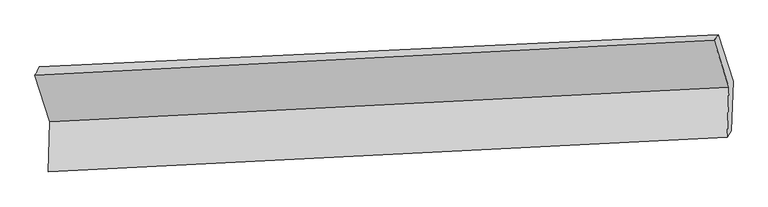
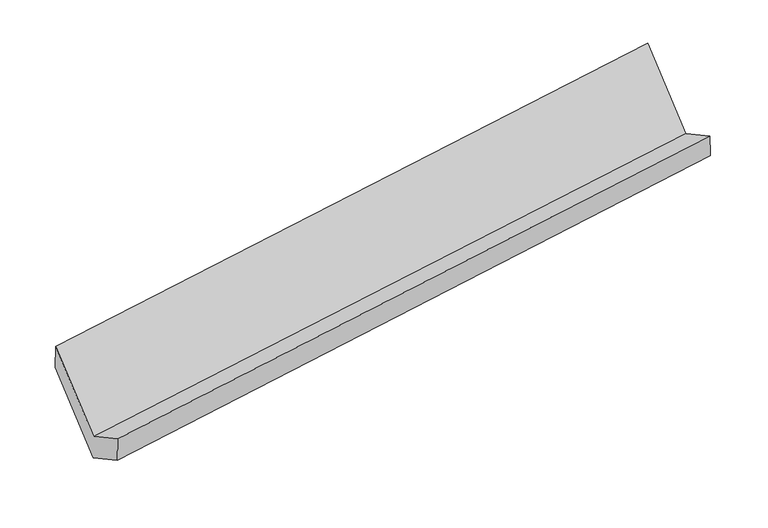
"""IFC4 building model written with IfcOpenShell, lengths in millimetres: proxy geometry."""

from ifc_helpers import new_model, si_unit, frame, origin, place, context, project, spatial, source, transform, mapped, element, save
from ifc_brep_helpers import plane_surface, spline_surface, advanced_brep


def generic_models_970070f5(model_context):
    return source(origin(), model_context, "Body", "AdvancedBrep", [
        advanced_brep(
        [(-5192.7958091, -1643.7716307, 1435.2618419), (-5205.7108217, -1988.2921304, 1628.2861921), (-494.0368725, -1748.5619422, 2310.0121082), (-481.1218599, -1404.0414426, 2116.987758), (-5175.0817796, -1932.2966308, 1410.9954855), (-465.6164577, -1705.1325599, 2111.0848071), (-5162.1667669, -1587.7761312, 1217.9711353), (-452.701445, -1360.6120603, 1918.0604569), (-5266.1088593, -1262.0473169, 1792.3952443), (-555.0886367, -1039.7559204, 2483.8915845), (-5296.7379015, -1318.0428165, 2009.6859509), (-585.0639523, -1078.3126283, 2691.411867)],
        [
            (0, 1),
            (1, 2),
            (2, 3),
            (3, 0),
            (1, 4),
            (4, 5),
            (5, 2),
            (4, 6),
            (6, 7),
            (7, 5),
            (6, 8),
            (8, 9),
            (9, 7),
            (8, 10),
            (10, 11),
            (11, 9),
            (10, 0),
            (3, 11),
        ],
        [
            plane_surface(frame((-5199.2533154, -1816.0318805, 1531.774017), z_axis=(-0.14927324918277698, 0.48755908225294575, 0.8602346414735237), x_axis=(-0.03268632988021745, -0.8719395806127396, 0.4885212089560099))),
            spline_surface(1, 1, [[(-5205.7108217, -1988.2921304, 1628.2861921), (-494.0368725, -1748.5619422, 2310.0121082)], [(-5175.0817796, -1932.2966308, 1410.9954855), (-465.6164577, -1705.1325599, 2111.0848071)]], [2, 2], [2, 2], [0.0, 1.0], [0.0, 1.0]),
            plane_surface(frame((-5168.6242732, -1760.036381, 1314.4833104), z_axis=(0.1513461622145414, -0.4874640133524756, -0.8599262612975761), x_axis=(0.03268632988021739, 0.8719395806127408, -0.4885212089560077))),
            plane_surface(frame((-5214.1378131, -1424.911724, 1505.1831898), z_axis=(0.030614973714464477, 0.8718372275253954, -0.48883798142666324), x_axis=(-0.15549007204847703, 0.4872674354183531, 0.8592981344534507))),
            spline_surface(1, 1, [[(-5266.1088593, -1262.0473169, 1792.3952443), (-555.0886367, -1039.7559204, 2483.8915845)], [(-5296.7379015, -1318.0428165, 2009.6859509), (-585.0639523, -1078.3126283, 2691.411867)]], [2, 2], [2, 2], [0.0, 1.0], [0.0, 1.0]),
            plane_surface(frame((-5244.7668553, -1480.9072236, 1722.4738964), z_axis=(-0.02647193920340122, -0.871621014010502, 0.48946505939659873), x_axis=(0.15549007204847543, -0.4872674354183556, -0.8592981344534496))),
            plane_surface(frame((-505.6048707, -1389.402759, 2271.9080969), z_axis=(0.9872965316121198, 0.047872895689574674, 0.15150493234536574), x_axis=(-0.1406040216010999, -0.18085641781796424, 0.9734071425891899))),
            plane_surface(frame((-5216.4336564, -1622.0377761, 1582.4326417), z_axis=(-0.9872965316121199, -0.04787289568957809, -0.15150493234536372), x_axis=(-0.1554900720484761, 0.48726743541833456, 0.8592981344534614))),
        ],
        [
            (0, [[1, 2, 3, 4]]),
            (1, [[5, 6, 7, -2]]),
            (2, [[8, 9, 10, -6]]),
            (3, [[11, 12, 13, -9]]),
            (4, [[14, 15, 16, -12]]),
            (5, [[17, -4, 18, -15]]),
            (6, [[-16, -18, -3, -7, -10, -13]]),
            (7, [[-17, -14, -11, -8, -5, -1]]),
        ],
    ),
    ])


if __name__ == "__main__":
    model = new_model("IFC4")
    model_context = context("Model", 3, world=origin())
    ifc_project = project(units=[si_unit("LENGTHUNIT", "METRE", prefix="MILLI")], contexts=[model_context])
    site = spatial("IfcSite", under=ifc_project)
    building = spatial("IfcBuilding", under=site)
    placement = place(None, origin())
    generic_models_shape = generic_models_970070f5(model_context)
    element("IfcBuildingElementProxy", 1, Name="Generic Models", at=placement, inside=building, context=model_context, shape_type="MappedRepresentation", body=[
        mapped(generic_models_shape, transform((0.0, 0.0, 0.0), x_axis=(1.0, 0.0, 0.0), y_axis=(0.0, 1.0, 0.0), z_axis=(0.0, 0.0, 1.0))),
    ])
    save(model, "model.ifc")
